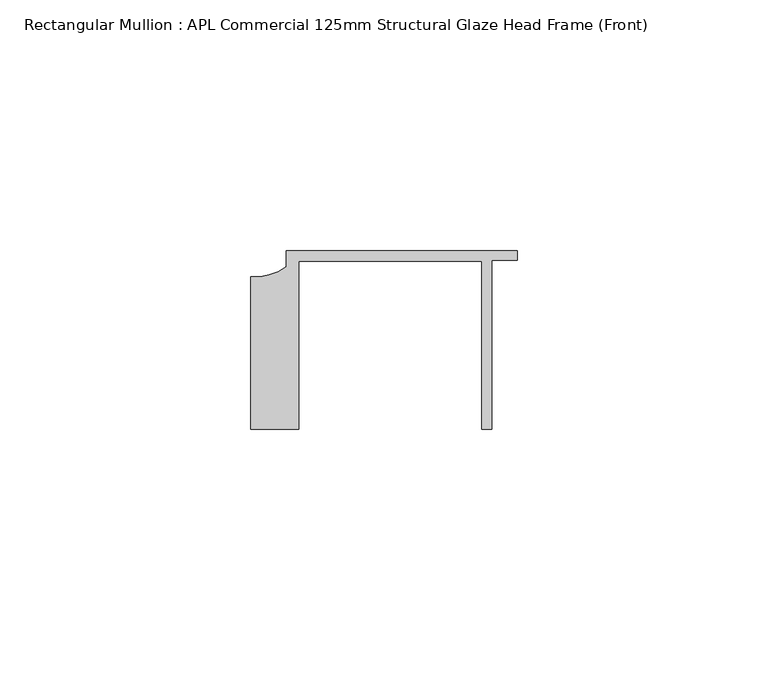
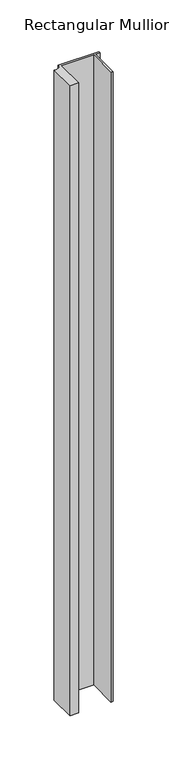
"""IFC4 building model written with IfcOpenShell, lengths in millimetres: member geometry, Rectangular Mullion : APL Commercial 125mm Structural Glaze Head Frame (Front)."""

from ifc_helpers import new_model, si_unit, point, frame, frame_2d, origin, place, context, project, spatial, polyline, circle_curve, trimmed, segment, composite_curve, outline, extrude, source, transform, mapped, element, save


def rectangular_mullion_apl_commercial_125mm_structural_glaze_a0e592bb(model_context):
    return source(origin(), model_context, "Body", "SweptSolid", [
        extrude(outline(composite_curve([segment(polyline([(-52.9999542, -15.0), (-52.9999542, 15.3798304)]), True, "CONTINUOUS"), segment(trimmed(circle_curve(frame_2d((-52.109817, 25.7982641)), 10.4563907), [point((-52.9999542, 15.3798304))], [point((-45.9999994, 17.3126154))], True, "CARTESIAN"), True, "CONTINUOUS"), segment(polyline([(-45.9999994, 17.3126154), (-45.9999994, 20.5002486), (0.0, 20.5002486), (0.0, 18.7002486), (-5.0, 18.7002486), (-5.0, -15.0), (-7.0, -15.0), (-7.0, 18.5002486), (-43.5000151, 18.5002486), (-43.5000151, -15.0), (-52.9999542, -15.0)]), True, "CONTINUOUS")], self_intersect=False)), frame((0.0, 0.0, -743.3628625), z_axis=(0.0, 0.0, 1.0), x_axis=(1.0, 0.0, 0.0)), (0.0, 0.0, 1.0), 743.3628625),
    ])


if __name__ == "__main__":
    model = new_model("IFC4")
    model_context = context("Model", 3, world=origin())
    ifc_project = project(units=[si_unit("LENGTHUNIT", "METRE", prefix="MILLI")], contexts=[model_context])
    site = spatial("IfcSite", under=ifc_project)
    building = spatial("IfcBuilding", under=site)
    placement = place(None, origin())
    rectangular_mullion_apl_commercial_125mm_structural_glaze_shape = rectangular_mullion_apl_commercial_125mm_structural_glaze_a0e592bb(model_context)
    element("IfcMember", 1, ObjectType="Rectangular Mullion : APL Commercial 125mm Structural Glaze Head Frame (Front)", at=placement, inside=building, context=model_context, shape_type="MappedRepresentation", body=[
        mapped(rectangular_mullion_apl_commercial_125mm_structural_glaze_shape, transform((0.0, 0.0, 0.0), x_axis=(1.0, 0.0, 0.0), y_axis=(0.0, 1.0, 0.0), z_axis=(0.0, 0.0, 1.0))),
    ])
    save(model, "model.ifc")
